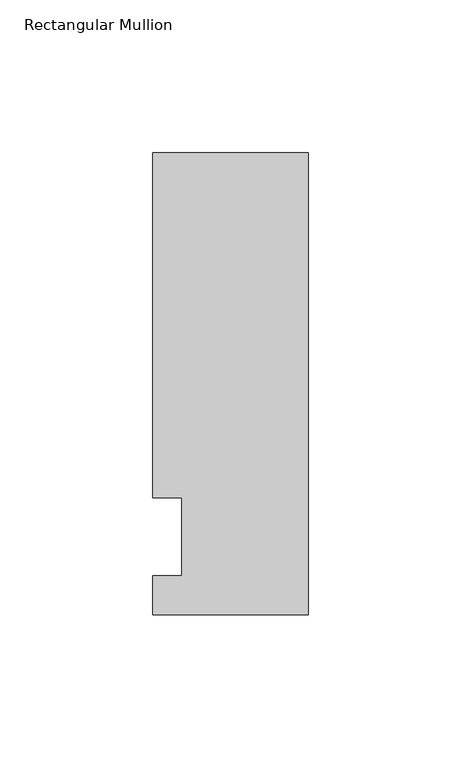
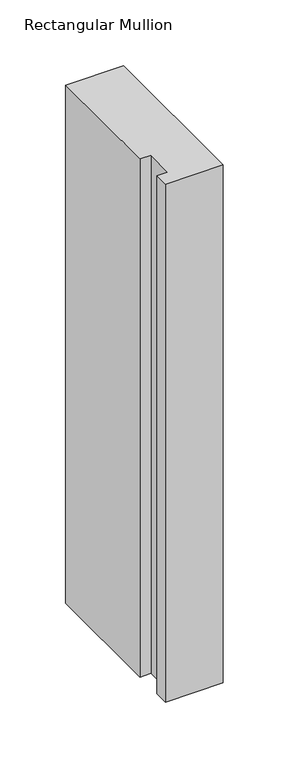
"""IFC4 building model written with IfcOpenShell, lengths in millimetres: member geometry, Rectangular Mullion."""

from ifc_helpers import new_model, si_unit, frame, origin, place, context, project, spatial, polyline, outline, extrude, source, transform, mapped, element, save


def rectangular_mullion_fb60c1ae(model_context):
    return source(origin(), model_context, "Body", "SweptSolid", [
        extrude(outline(polyline([(-50.8, -25.5984375), (-50.8, -12.7), (-41.275, -12.7), (-41.275, 12.7), (-50.8, 12.7), (-50.8, 125.6109375), (0.0, 125.6109375), (0.0, -25.5984375), (-50.8, -25.5984375)])), frame((0.0, 0.0, -479.9618389), z_axis=(0.0, 0.0, 1.0), x_axis=(1.0, 0.0, 0.0)), (0.0, 0.0, 1.0), 479.9618389),
    ])


if __name__ == "__main__":
    model = new_model("IFC4")
    model_context = context("Model", 3, world=origin())
    ifc_project = project(units=[si_unit("LENGTHUNIT", "METRE", prefix="MILLI")], contexts=[model_context])
    site = spatial("IfcSite", under=ifc_project)
    building = spatial("IfcBuilding", under=site)
    placement = place(None, origin())
    rectangular_mullion_shape = rectangular_mullion_fb60c1ae(model_context)
    element("IfcMember", 1, ObjectType="Rectangular Mullion", at=placement, inside=building, context=model_context, shape_type="MappedRepresentation", body=[
        mapped(rectangular_mullion_shape, transform((0.0, 0.0, 0.0), x_axis=(1.0, 0.0, 0.0), y_axis=(0.0, 1.0, 0.0), z_axis=(0.0, 0.0, 1.0))),
    ])
    save(model, "model.ifc")
